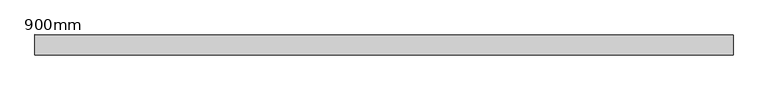
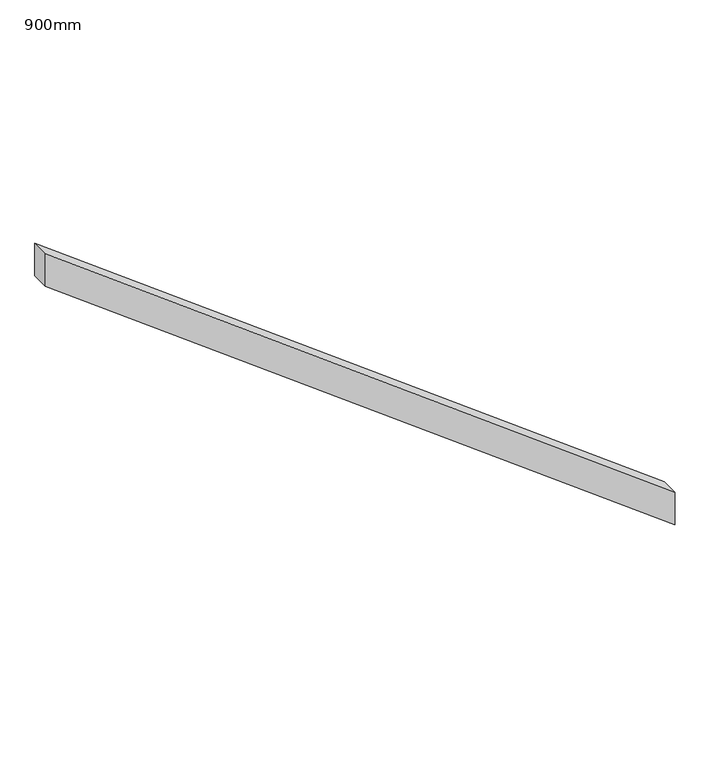
"""IFC4 building model written with IfcOpenShell, lengths in millimetres: railing geometry, 900mm."""

from ifc_helpers import new_model, si_unit, frame, origin, place, context, project, spatial, polyline, outline, extrude, source, transform, mapped, element, save


def railing_900mm_8da747eb(model_context):
    return source(origin(), model_context, "Body", "SweptSolid", [
        extrude(outline(polyline([(5817.25, 150917.076161), (5912.5, 150917.076161), (7225.0, 149167.076161), (7129.75, 149167.076161), (5817.25, 150917.076161)])), frame((0.0, 49330.0558522, 0.0), z_axis=(0.0, 1.0, 0.0), x_axis=(0.0, 0.0, 1.0)), (0.0, 0.0, 1.0), 50.8),
    ])


if __name__ == "__main__":
    model = new_model("IFC4")
    model_context = context("Model", 3, world=origin())
    ifc_project = project(units=[si_unit("LENGTHUNIT", "METRE", prefix="MILLI")], contexts=[model_context])
    site = spatial("IfcSite", under=ifc_project)
    building = spatial("IfcBuilding", under=site)
    placement = place(None, origin())
    railing_900mm_shape = railing_900mm_8da747eb(model_context)
    element("IfcRailing", 1, ObjectType="900mm", at=placement, inside=building, context=model_context, shape_type="MappedRepresentation", body=[
        mapped(railing_900mm_shape, transform((0.0, 0.0, 0.0), x_axis=(1.0, 0.0, 0.0), y_axis=(0.0, 1.0, 0.0), z_axis=(0.0, 0.0, 1.0))),
    ])
    save(model, "model.ifc")
